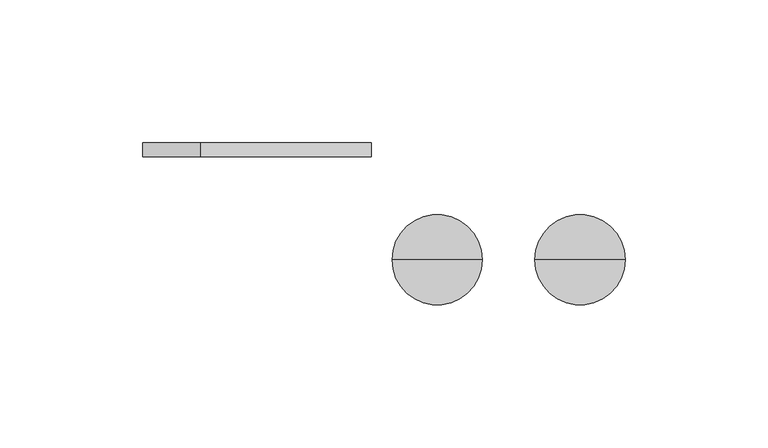
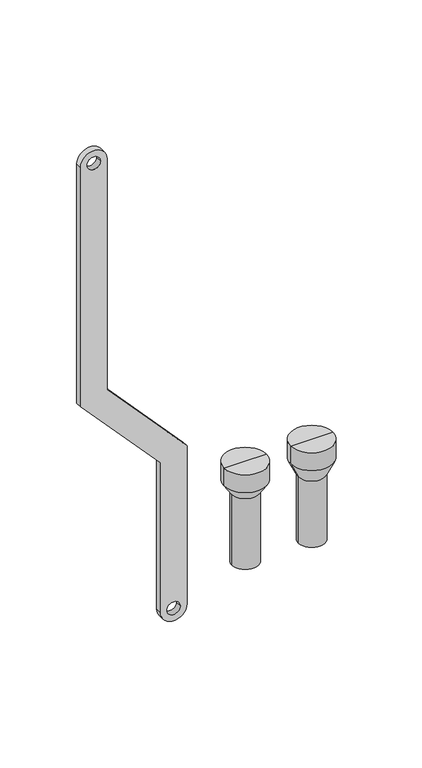
"""IFC4 building model written with IfcOpenShell, lengths in millimetres: proxy geometry."""

import ifcopenshell
import ifcopenshell.guid

model = None  # the IFC model being written
_history = None  # IfcOwnerHistory: only IFC2X3 demands one
_inside = {}  # id of a spatial element -> (the spatial element, [elements in it])
_under = {}  # id of a project, library or spatial element -> (it, [spatial elements below it])
_declared = {}  # id of a project -> (the project, [libraries it declares])
_typed = {}  # id of a type object -> (the type object, [elements of that type])
_made_of = {}  # id of a material, layer set ... -> (it, [elements and type objects made of it])


def new_model(schema):
    """Start an empty IFC model of exactly this schema.

    Asked for "IFC4X3", IfcOpenShell would pick the latest addendum, in which some entities
    have other attributes; the version numbers below select the first issue.
    IFC2X3 requires an IfcOwnerHistory on every rooted entity: one is made here for all.
    """
    global model, _history
    if schema == "IFC4X3":
        model = ifcopenshell.file(schema_version=(4, 3, 0, 0))
    else:
        model = ifcopenshell.file(schema=schema)
    _inside.clear()
    _under.clear()
    _declared.clear()
    _typed.clear()
    _made_of.clear()
    _history = None
    if model.schema == "IFC2X3":
        org = make("IfcOrganization", Name="unknown")
        user = make(
            "IfcPersonAndOrganization",
            ThePerson=make("IfcPerson", FamilyName="unknown"),
            TheOrganization=org,
        )
        app = make(
            "IfcApplication",
            ApplicationDeveloper=org,
            Version="unknown",
            ApplicationFullName="unknown",
            ApplicationIdentifier="unknown",
        )
        _history = make(
            "IfcOwnerHistory",
            OwningUser=user,
            OwningApplication=app,
            ChangeAction="ADDED",
            CreationDate=0,
        )
    return model


def make(cls, **values):
    """One entity of the class cls with the attributes given. An attribute that is None is left unset."""
    return model.create_entity(
        cls, **{name: value for name, value in values.items() if value is not None}
    )


def rooted(cls, **values):
    """An entity with a GlobalId (a new one), such as an element, a storey or a relation."""
    return make(cls, GlobalId=ifcopenshell.guid.new(), OwnerHistory=_history, **values)


def si_unit(unit_type, name, prefix=None):
    """IfcSIUnit, for example si_unit("LENGTHUNIT", "METRE", prefix="MILLI")."""
    return make("IfcSIUnit", UnitType=unit_type, Prefix=prefix, Name=name)


def assignment(units):
    """IfcUnitAssignment: the units of a project."""
    return None if units is None else make("IfcUnitAssignment", Units=units)


def point(xyz):
    """IfcCartesianPoint."""
    return None if xyz is None else make("IfcCartesianPoint", Coordinates=xyz)


def direction(xyz):
    """IfcDirection."""
    return None if xyz is None else make("IfcDirection", DirectionRatios=xyz)


def frame(location, z_axis=None, x_axis=None):
    """IfcAxis2Placement3D, a coordinate frame: its origin and axes. An axis left out is left unset."""
    return make(
        "IfcAxis2Placement3D",
        Location=point(location),
        Axis=direction(z_axis),
        RefDirection=direction(x_axis),
    )


def frame_2d(location, x_axis=None):
    """IfcAxis2Placement2D, a coordinate frame in the plane: its origin and x axis."""
    return make(
        "IfcAxis2Placement2D", Location=point(location), RefDirection=direction(x_axis)
    )


def origin():
    """The frame at (0, 0, 0) with its axes left unset."""
    return frame((0.0, 0.0, 0.0))


def place(relative_to, where):
    """IfcLocalPlacement: puts the frame where relative to a parent placement (None: the world)."""
    return make(
        "IfcLocalPlacement", PlacementRelTo=relative_to, RelativePlacement=where
    )


def context(
    kind, dimensions, precision=None, world=None, true_north=None, identifier=None
):
    """IfcGeometricRepresentationContext, for example the 3D "Model" context."""
    return make(
        "IfcGeometricRepresentationContext",
        ContextIdentifier=identifier,
        ContextType=kind,
        CoordinateSpaceDimension=dimensions,
        Precision=precision,
        WorldCoordinateSystem=world,
        TrueNorth=true_north,
    )


def project(units=None, contexts=None):
    """IfcProject with its units and contexts."""
    return rooted(
        "IfcProject",
        Name="project",
        RepresentationContexts=contexts,
        UnitsInContext=assignment(units),
    )


def spatial(cls, under=None, at=None, **own):
    """A site, building, storey or space (cls), placed at a placement, below another one or the project."""
    s = rooted(cls, ObjectPlacement=at, **own)
    if under is not None:
        _under.setdefault(under.id(), (under, []))[1].append(s)
    return s


def polyline(points):
    """IfcPolyline through the points."""
    return make("IfcPolyline", Points=[point(p) for p in points])


def circle_curve(where, radius):
    """IfcCircle in the frame where."""
    return make("IfcCircle", Position=where, Radius=radius)


def trimmed(basis, trim1, trim2, sense, master):
    """IfcTrimmedCurve: the piece of a basis curve between two trims."""
    return make(
        "IfcTrimmedCurve",
        BasisCurve=basis,
        Trim1=trim1,
        Trim2=trim2,
        SenseAgreement=sense,
        MasterRepresentation=master,
    )


def segment(curve, same_sense, transition):
    """IfcCompositeCurveSegment."""
    return make(
        "IfcCompositeCurveSegment",
        Transition=transition,
        SameSense=same_sense,
        ParentCurve=curve,
    )


def composite_curve(segments, self_intersect=None):
    """IfcCompositeCurve: segments joined end to end."""
    return make("IfcCompositeCurve", Segments=segments, SelfIntersect=self_intersect)


def outline(outer, holes=None, kind="AREA"):
    """IfcArbitraryClosedProfileDef: a profile drawn as a closed curve; with holes, ...WithVoids."""
    if holes is None:
        return make("IfcArbitraryClosedProfileDef", ProfileType=kind, OuterCurve=outer)
    return make(
        "IfcArbitraryProfileDefWithVoids",
        ProfileType=kind,
        OuterCurve=outer,
        InnerCurves=holes,
    )


def extrude(swept, where, along, depth):
    """IfcExtrudedAreaSolid: the profile swept, set in the frame where, extruded along a direction by depth."""
    return make(
        "IfcExtrudedAreaSolid",
        SweptArea=swept,
        Position=where,
        ExtrudedDirection=direction(along),
        Depth=depth,
    )


def shape(context_of_items, identifier, shape_type, items):
    """IfcShapeRepresentation: the items that make up one representation, for example the "Body"."""
    return make(
        "IfcShapeRepresentation",
        ContextOfItems=context_of_items,
        RepresentationIdentifier=identifier,
        RepresentationType=shape_type,
        Items=items,
    )


def source(mapping_origin, context_of_items, identifier, shape_type, items):
    """IfcRepresentationMap: a shape defined once, which mapped items show again and again."""
    return make(
        "IfcRepresentationMap",
        MappingOrigin=mapping_origin,
        MappedRepresentation=shape(context_of_items, identifier, shape_type, items),
    )


def transform(
    local_origin,
    x_axis=None,
    y_axis=None,
    z_axis=None,
    scale=None,
    scale2=None,
    scale3=None,
    uniform=True,
):
    """IfcCartesianTransformationOperator3D, or its non-uniform kind. x_axis, y_axis, z_axis: its Axis1, 2, 3."""
    if uniform:
        return make(
            "IfcCartesianTransformationOperator3D",
            Axis1=direction(x_axis),
            Axis2=direction(y_axis),
            LocalOrigin=point(local_origin),
            Scale=scale,
            Axis3=direction(z_axis),
        )
    return make(
        "IfcCartesianTransformationOperator3DnonUniform",
        Axis1=direction(x_axis),
        Axis2=direction(y_axis),
        LocalOrigin=point(local_origin),
        Scale=scale,
        Axis3=direction(z_axis),
        Scale2=scale2,
        Scale3=scale3,
    )


def mapped(mapping_source, mapping_target):
    """IfcMappedItem: shows the shape of a source again, moved by a transform."""
    return make(
        "IfcMappedItem", MappingSource=mapping_source, MappingTarget=mapping_target
    )


def made_of(thing, what):
    """Note that an element or type object is made of a material, layer set ...; save() writes the relation."""
    if what is not None:
        _made_of.setdefault(what.id(), (what, []))[1].append(thing)
    return thing


def element(
    cls,
    number,
    at=None,
    inside=None,
    cuts=None,
    type_object=None,
    material=None,
    context=None,
    identifier="Body",
    shape_type=None,
    held_by="IfcProductDefinitionShape",
    body=None,
    shapes=None,
    **own,
):
    """One element of the class cls, such as IfcWall. Its Tag is "e" and its number.

    at: its placement. inside: the storey or other place that contains it. cuts: it is an
    opening in that element (IfcRelVoidsElement). A single representation is given by context,
    identifier, shape_type and body (its items); several are given by shapes. held_by: the class
    of the entity that holds the representations. save() writes the other relations.
    """
    e = rooted(cls, Tag="e%d" % number, ObjectPlacement=at, **own)
    if body is not None:
        shapes = [shape(context, identifier, shape_type, body)]
    if shapes is not None:
        e.Representation = make(held_by, Representations=shapes)
    if inside is not None:
        _inside.setdefault(inside.id(), (inside, []))[1].append(e)
    if cuts is not None:
        rooted(
            "IfcRelVoidsElement", RelatingBuildingElement=cuts, RelatedOpeningElement=e
        )
    if type_object is not None:
        _typed.setdefault(type_object.id(), (type_object, []))[1].append(e)
    return made_of(e, material)


def aggregate(whole, parts):
    """IfcRelAggregates: a whole, such as a stair, and the parts it consists of."""
    return rooted("IfcRelAggregates", RelatingObject=whole, RelatedObjects=parts)


def save(model, path):
    """Write the relations noted so far, then the file.

    IfcRelAggregates (storeys below a building ...), IfcRelContainedInSpatialStructure (elements
    in a storey), IfcRelDefinesByType, IfcRelAssociatesMaterial and IfcRelDeclares: one each for
    every whole, place, type object, material and project.
    """
    for whole, parts in _under.values():
        aggregate(whole, parts)
    for where, things in _inside.values():
        rooted(
            "IfcRelContainedInSpatialStructure",
            RelatedElements=things,
            RelatingStructure=where,
        )
    for kind, things in _typed.values():
        rooted("IfcRelDefinesByType", RelatedObjects=things, RelatingType=kind)
    for what, things in _made_of.values():
        rooted("IfcRelAssociatesMaterial", RelatedObjects=things, RelatingMaterial=what)
    for by, libraries in _declared.values():
        rooted("IfcRelDeclares", RelatingContext=by, RelatedDefinitions=libraries)
    model.write(path)


def plane_surface(at):
    """IfcPlane: the flat surface through the origin of the frame at, square to its z axis."""
    return make("IfcPlane", Position=at)


def cylinder_surface(at, radius):
    """IfcCylindricalSurface: all points at the distance radius from the z axis of the frame at."""
    return make("IfcCylindricalSurface", Position=at, Radius=radius)


def revolved_surface(curve, axis_point, axis_direction):
    """IfcSurfaceOfRevolution: the curve turned about the line through axis_point along axis_direction."""
    return make(
        "IfcSurfaceOfRevolution",
        SweptCurve=make("IfcArbitraryOpenProfileDef", ProfileType="CURVE", Curve=curve),
        AxisPosition=make("IfcAxis1Placement", Location=point(axis_point), Axis=direction(axis_direction)),
    )


def advanced_brep(points, edges, surfaces, faces):
    """IfcAdvancedBrep: a solid bounded by faces that lie on surfaces and meet in shared edges.

    An edge is (start, end): straight between two places in points (the first is 0);
    or (start, end, curve); or (start, end, curve, False) where it runs against its curve.
    A face is (place in surfaces, loops), or (place, loops, False) where it looks against
    its surface's normal. A loop lists edges by number (the first is 1), with a minus sign
    where the edge is run from its end to its start. The first loop is the outer one.
    """
    corners = [point(p) for p in points]
    vertices = [make("IfcVertexPoint", VertexGeometry=c) for c in corners]
    made = []
    for start, end, *more in edges:
        made.append(
            make(
                "IfcEdgeCurve",
                EdgeStart=vertices[start],
                EdgeEnd=vertices[end],
                EdgeGeometry=more[0] if more else make("IfcPolyline", Points=[corners[start], corners[end]]),
                SameSense=more[1] if len(more) > 1 else True,
            )
        )
    hull = []
    for where, loops, *sense in faces:
        bounds = []
        for j, loop in enumerate(loops):
            ring = [make("IfcOrientedEdge", EdgeElement=made[abs(k) - 1], Orientation=k > 0) for k in loop]
            bounds.append(
                make(
                    "IfcFaceOuterBound" if j == 0 else "IfcFaceBound",
                    Bound=make("IfcEdgeLoop", EdgeList=ring),
                    Orientation=True,
                )
            )
        hull.append(make("IfcAdvancedFace", Bounds=bounds, FaceSurface=surfaces[where], SameSense=sense[0] if sense else True))
    return make("IfcAdvancedBrep", Outer=make("IfcClosedShell", CfsFaces=hull))


def mechanical_equipment_8f854961(model_context):
    return source(origin(), model_context, "Body", "SolidModel", [
        advanced_brep(
        [(151.0, -20.0, -240.0), (135.0, -20.0, -240.0), (135.0, -20.0, -187.5), (151.0, -20.0, -187.5), (153.0, -20.0, -240.0), (133.0, -20.0, -240.0), (153.0, -20.0, -187.5), (133.0, -20.0, -187.5), (158.791778, -20.0, -175.079492), (127.208222, -20.0, -175.079492), (158.791778, -20.0, -161.0287273), (127.208222, -20.0, -161.0287273), (143.0, -20.0, -161.0287273), (143.0, -20.0, -187.5)],
        [
            (0, 1, circle_curve(frame((143.0, -20.0, -240.0), z_axis=(0.0, 0.0, -1.0), x_axis=(-1.0, 0.0, 0.0)), 8.0)),
            (1, 2),
            (2, 3, circle_curve(frame((143.0, -20.0, -187.5), z_axis=(0.0, 0.0, 1.0), x_axis=(-1.0, 0.0, 0.0)), 8.0)),
            (3, 0),
            (1, 0, circle_curve(frame((143.0, -20.0, -240.0), z_axis=(0.0, 0.0, -1.0), x_axis=(-1.0, 0.0, 0.0)), 8.0)),
            (3, 2, circle_curve(frame((143.0, -20.0, -187.5), z_axis=(0.0, 0.0, 1.0), x_axis=(-1.0, 0.0, 0.0)), 8.0)),
            (4, 5, circle_curve(frame((143.0, -20.0, -240.0), z_axis=(0.0, 0.0, -1.0), x_axis=(-1.0, 0.0, 0.0)), 10.0)),
            (5, 1),
            (0, 4),
            (5, 4, circle_curve(frame((143.0, -20.0, -240.0), z_axis=(0.0, 0.0, -1.0), x_axis=(-1.0, 0.0, 0.0)), 10.0)),
            (6, 7, circle_curve(frame((143.0, -20.0, -187.5), z_axis=(0.0, 0.0, -1.0), x_axis=(-1.0, 0.0, 0.0)), 10.0)),
            (7, 5),
            (4, 6),
            (7, 6, circle_curve(frame((143.0, -20.0, -187.5), z_axis=(0.0, 0.0, -1.0), x_axis=(-1.0, 0.0, 0.0)), 10.0)),
            (8, 9, circle_curve(frame((143.0, -20.0, -175.079492), z_axis=(0.0, 0.0, -1.0), x_axis=(-1.0, 0.0, 0.0)), 15.791778)),
            (9, 7),
            (6, 8),
            (9, 8, circle_curve(frame((143.0, -20.0, -175.079492), z_axis=(0.0, 0.0, -1.0), x_axis=(-1.0, 0.0, 0.0)), 15.791778)),
            (10, 11, circle_curve(frame((143.0, -20.0, -161.0287273), z_axis=(0.0, 0.0, -1.0), x_axis=(-1.0, 0.0, 0.0)), 15.791778)),
            (11, 9),
            (8, 10),
            (11, 10, circle_curve(frame((143.0, -20.0, -161.0287273), z_axis=(0.0, 0.0, -1.0), x_axis=(-1.0, 0.0, 0.0)), 15.791778)),
            (12, 11),
            (10, 12),
            (2, 13),
            (13, 3),
        ],
        [
            revolved_surface(polyline([(135.0, -20.0, -187.5), (135.0, -20.0, -240.0)]), (143.0, -20.0, -200.0), (0.0, 0.0, 1.0)),
            plane_surface(frame((143.0, -20.0, -240.0), z_axis=(0.0, 0.0, -1.0), x_axis=(-1.0, 0.0, 0.0))),
            cylinder_surface(frame((143.0, -20.0, -200.0), z_axis=(0.0, 0.0, 1.0), x_axis=(-1.0, 0.0, 0.0)), 10.0),
            revolved_surface(polyline([(133.0, -20.0, -187.5), (127.208222, -20.0, -175.079492)]), (143.0, -20.0, -200.0), (0.0, 0.0, 1.0)),
            cylinder_surface(frame((143.0, -20.0, -200.0), z_axis=(0.0, 0.0, 1.0), x_axis=(-1.0, 0.0, 0.0)), 15.791778),
            plane_surface(frame((143.0, -20.0, -161.0287273), z_axis=(0.0, 0.0, 1.0), x_axis=(-1.0, 0.0, 0.0))),
            plane_surface(frame((143.0, -20.0, -187.5), z_axis=(0.0, 0.0, -1.0), x_axis=(-1.0, 0.0, 0.0))),
        ],
        [
            (0, [[1, 2, 3, 4]]),
            (0, [[5, -4, 6, -2]]),
            (1, [[7, 8, -1, 9]]),
            (1, [[10, -9, -5, -8]]),
            (2, [[11, 12, -7, 13]]),
            (2, [[14, -13, -10, -12]]),
            (3, [[15, 16, -11, 17]]),
            (3, [[18, -17, -14, -16]]),
            (4, [[19, 20, -15, 21]]),
            (4, [[22, -21, -18, -20]]),
            (5, [[23, -19, 24]]),
            (5, [[-24, -22, -23]]),
            (6, [[-3, 25, 26]]),
            (6, [[-6, -26, -25]]),
        ],
    ),
        advanced_brep(
        [(101.0, -20.0, -240.0), (85.0, -20.0, -240.0), (85.0, -20.0, -184.0), (101.0, -20.0, -184.0), (103.0, -20.0, -240.0), (83.0, -20.0, -240.0), (103.0, -20.0, -184.0), (83.0, -20.0, -184.0), (108.791778, -20.0, -175.079492), (77.208222, -20.0, -175.079492), (108.791778, -20.0, -161.0287273), (77.208222, -20.0, -161.0287273), (93.0, -20.0, -161.0287273), (93.0, -20.0, -184.0)],
        [
            (0, 1, circle_curve(frame((93.0, -20.0, -240.0), z_axis=(0.0, 0.0, -1.0), x_axis=(-1.0, 0.0, 0.0)), 8.0)),
            (1, 2),
            (2, 3, circle_curve(frame((93.0, -20.0, -184.0), z_axis=(0.0, 0.0, 1.0), x_axis=(-1.0, 0.0, 0.0)), 8.0)),
            (3, 0),
            (1, 0, circle_curve(frame((93.0, -20.0, -240.0), z_axis=(0.0, 0.0, -1.0), x_axis=(-1.0, 0.0, 0.0)), 8.0)),
            (3, 2, circle_curve(frame((93.0, -20.0, -184.0), z_axis=(0.0, 0.0, 1.0), x_axis=(-1.0, 0.0, 0.0)), 8.0)),
            (4, 5, circle_curve(frame((93.0, -20.0, -240.0), z_axis=(0.0, 0.0, -1.0), x_axis=(-1.0, 0.0, 0.0)), 10.0)),
            (5, 1),
            (0, 4),
            (5, 4, circle_curve(frame((93.0, -20.0, -240.0), z_axis=(0.0, 0.0, -1.0), x_axis=(-1.0, 0.0, 0.0)), 10.0)),
            (6, 7, circle_curve(frame((93.0, -20.0, -184.0), z_axis=(0.0, 0.0, -1.0), x_axis=(-1.0, 0.0, 0.0)), 10.0)),
            (7, 5),
            (4, 6),
            (7, 6, circle_curve(frame((93.0, -20.0, -184.0), z_axis=(0.0, 0.0, -1.0), x_axis=(-1.0, 0.0, 0.0)), 10.0)),
            (8, 9, circle_curve(frame((93.0, -20.0, -175.079492), z_axis=(0.0, 0.0, -1.0), x_axis=(-1.0, 0.0, 0.0)), 15.791778)),
            (9, 7),
            (6, 8),
            (9, 8, circle_curve(frame((93.0, -20.0, -175.079492), z_axis=(0.0, 0.0, -1.0), x_axis=(-1.0, 0.0, 0.0)), 15.791778)),
            (10, 11, circle_curve(frame((93.0, -20.0, -161.0287273), z_axis=(0.0, 0.0, -1.0), x_axis=(-1.0, 0.0, 0.0)), 15.791778)),
            (11, 9),
            (8, 10),
            (11, 10, circle_curve(frame((93.0, -20.0, -161.0287273), z_axis=(0.0, 0.0, -1.0), x_axis=(-1.0, 0.0, 0.0)), 15.791778)),
            (12, 11),
            (10, 12),
            (2, 13),
            (13, 3),
        ],
        [
            revolved_surface(polyline([(85.0, -20.0, -184.0), (85.0, -20.0, -240.0)]), (93.0, -20.0, -200.0), (0.0, 0.0, 1.0)),
            plane_surface(frame((93.0, -20.0, -240.0), z_axis=(0.0, 0.0, -1.0), x_axis=(-1.0, 0.0, 0.0))),
            cylinder_surface(frame((93.0, -20.0, -200.0), z_axis=(0.0, 0.0, 1.0), x_axis=(-1.0, 0.0, 0.0)), 10.0),
            revolved_surface(polyline([(83.0, -20.0, -184.0), (77.208222, -20.0, -175.079492)]), (93.0, -20.0, -200.0), (0.0, 0.0, 1.0)),
            cylinder_surface(frame((93.0, -20.0, -200.0), z_axis=(0.0, 0.0, 1.0), x_axis=(-1.0, 0.0, 0.0)), 15.791778),
            plane_surface(frame((93.0, -20.0, -161.0287273), z_axis=(0.0, 0.0, 1.0), x_axis=(-1.0, 0.0, 0.0))),
            plane_surface(frame((93.0, -20.0, -184.0), z_axis=(0.0, 0.0, -1.0), x_axis=(-1.0, 0.0, 0.0))),
        ],
        [
            (0, [[1, 2, 3, 4]]),
            (0, [[5, -4, 6, -2]]),
            (1, [[7, 8, -1, 9]]),
            (1, [[10, -9, -5, -8]]),
            (2, [[11, 12, -7, 13]]),
            (2, [[14, -13, -10, -12]]),
            (3, [[15, 16, -11, 17]]),
            (3, [[18, -17, -14, -16]]),
            (4, [[19, 20, -15, 21]]),
            (4, [[22, -21, -18, -20]]),
            (5, [[23, -19, 24]]),
            (5, [[-24, -22, -23]]),
            (6, [[-3, 25, 26]]),
            (6, [[-6, -26, -25]]),
        ],
    ),
        extrude(outline(composite_curve([segment(trimmed(circle_curve(frame_2d((86.2845679, 0.0)), 10.0), [point((86.2845679, 10.0))], [point((86.2845679, -10.0))], False, "CARTESIAN"), True, "CONTINUOUS"), segment(polyline([(86.2845679, -10.0), (-103.7138261, -10.0), (-169.0329221, 50.0), (-287.9537524, 50.0)]), True, "CONTINUOUS"), segment(trimmed(circle_curve(frame_2d((-287.9537524, 60.0)), 10.0), [point((-287.9537524, 50.0))], [point((-287.9537524, 70.0))], False, "CARTESIAN"), True, "CONTINUOUS"), segment(polyline([(-287.9537524, 70.0), (-162.5345282, 70.0), (-97.2154321, 10.0), (86.2845679, 10.0)]), True, "CONTINUOUS")], self_intersect=False), holes=[composite_curve([segment(trimmed(circle_curve(frame_2d((86.2845679, 0.0)), 5.0), [point((86.2845679, -5.0))], [point((86.2845679, 5.0))], True, "CARTESIAN"), True, "CONTINUOUS"), segment(trimmed(circle_curve(frame_2d((86.2845679, 0.0)), 5.0), [point((86.2845679, 5.0))], [point((86.2845679, -5.0))], True, "CARTESIAN"), True, "CONTINUOUS")], self_intersect=False), composite_curve([segment(trimmed(circle_curve(frame_2d((-287.9537524, 60.0)), 5.0), [point((-287.9537524, 55.0))], [point((-287.9537524, 65.0))], True, "CARTESIAN"), True, "CONTINUOUS"), segment(trimmed(circle_curve(frame_2d((-287.9537524, 60.0)), 5.0), [point((-287.9537524, 65.0))], [point((-287.9537524, 55.0))], True, "CARTESIAN"), True, "CONTINUOUS")], self_intersect=False)]), frame((0.0, 16.0, 0.0), z_axis=(0.0, 1.0, 0.0), x_axis=(0.0, 0.0, 1.0)), (0.0, 0.0, 1.0), 4.847249),
    ])


if __name__ == "__main__":
    model = new_model("IFC4")
    model_context = context("Model", 3, world=origin())
    ifc_project = project(units=[si_unit("LENGTHUNIT", "METRE", prefix="MILLI")], contexts=[model_context])
    site = spatial("IfcSite", under=ifc_project)
    building = spatial("IfcBuilding", under=site)
    placement = place(None, origin())
    mechanical_equipment_shape = mechanical_equipment_8f854961(model_context)
    element("IfcBuildingElementProxy", 1, Name="Mechanical Equipment", at=placement, inside=building, context=model_context, shape_type="MappedRepresentation", body=[
        mapped(mechanical_equipment_shape, transform((0.0, 0.0, 0.0), x_axis=(1.0, 0.0, 0.0), y_axis=(0.0, 1.0, 0.0), z_axis=(0.0, 0.0, 1.0))),
    ])
    save(model, "model.ifc")
